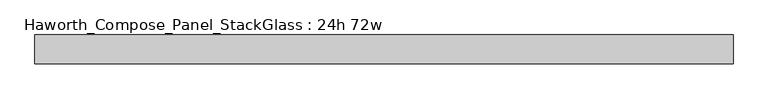
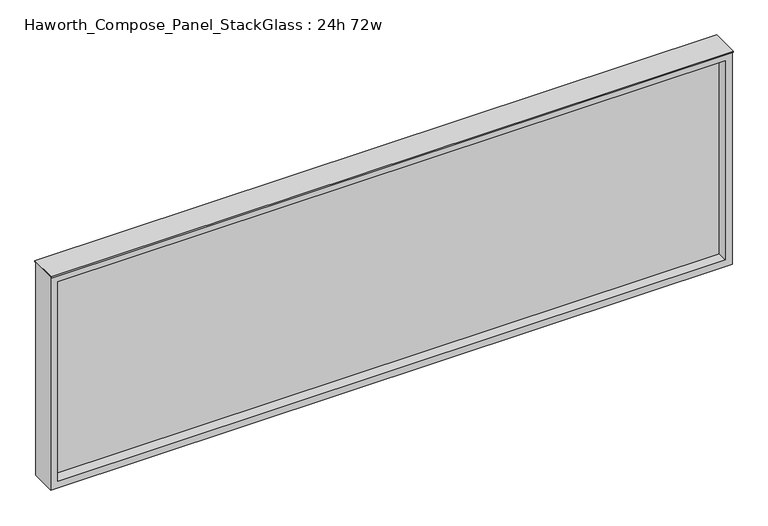
"""IFC4 building model written with IfcOpenShell, lengths in millimetres: furniture geometry, Haworth_Compose_Panel_StackGlass : 24h 72w."""

import ifcopenshell
import ifcopenshell.guid

model = None  # the IFC model being written
_history = None  # IfcOwnerHistory: only IFC2X3 demands one
_inside = {}  # id of a spatial element -> (the spatial element, [elements in it])
_under = {}  # id of a project, library or spatial element -> (it, [spatial elements below it])
_declared = {}  # id of a project -> (the project, [libraries it declares])
_typed = {}  # id of a type object -> (the type object, [elements of that type])
_made_of = {}  # id of a material, layer set ... -> (it, [elements and type objects made of it])


def new_model(schema):
    """Start an empty IFC model of exactly this schema.

    Asked for "IFC4X3", IfcOpenShell would pick the latest addendum, in which some entities
    have other attributes; the version numbers below select the first issue.
    IFC2X3 requires an IfcOwnerHistory on every rooted entity: one is made here for all.
    """
    global model, _history
    if schema == "IFC4X3":
        model = ifcopenshell.file(schema_version=(4, 3, 0, 0))
    else:
        model = ifcopenshell.file(schema=schema)
    _inside.clear()
    _under.clear()
    _declared.clear()
    _typed.clear()
    _made_of.clear()
    _history = None
    if model.schema == "IFC2X3":
        org = make("IfcOrganization", Name="unknown")
        user = make(
            "IfcPersonAndOrganization",
            ThePerson=make("IfcPerson", FamilyName="unknown"),
            TheOrganization=org,
        )
        app = make(
            "IfcApplication",
            ApplicationDeveloper=org,
            Version="unknown",
            ApplicationFullName="unknown",
            ApplicationIdentifier="unknown",
        )
        _history = make(
            "IfcOwnerHistory",
            OwningUser=user,
            OwningApplication=app,
            ChangeAction="ADDED",
            CreationDate=0,
        )
    return model


def make(cls, **values):
    """One entity of the class cls with the attributes given. An attribute that is None is left unset."""
    return model.create_entity(
        cls, **{name: value for name, value in values.items() if value is not None}
    )


def rooted(cls, **values):
    """An entity with a GlobalId (a new one), such as an element, a storey or a relation."""
    return make(cls, GlobalId=ifcopenshell.guid.new(), OwnerHistory=_history, **values)


def si_unit(unit_type, name, prefix=None):
    """IfcSIUnit, for example si_unit("LENGTHUNIT", "METRE", prefix="MILLI")."""
    return make("IfcSIUnit", UnitType=unit_type, Prefix=prefix, Name=name)


def assignment(units):
    """IfcUnitAssignment: the units of a project."""
    return None if units is None else make("IfcUnitAssignment", Units=units)


def point(xyz):
    """IfcCartesianPoint."""
    return None if xyz is None else make("IfcCartesianPoint", Coordinates=xyz)


def direction(xyz):
    """IfcDirection."""
    return None if xyz is None else make("IfcDirection", DirectionRatios=xyz)


def frame(location, z_axis=None, x_axis=None):
    """IfcAxis2Placement3D, a coordinate frame: its origin and axes. An axis left out is left unset."""
    return make(
        "IfcAxis2Placement3D",
        Location=point(location),
        Axis=direction(z_axis),
        RefDirection=direction(x_axis),
    )


def origin():
    """The frame at (0, 0, 0) with its axes left unset."""
    return frame((0.0, 0.0, 0.0))


def place(relative_to, where):
    """IfcLocalPlacement: puts the frame where relative to a parent placement (None: the world)."""
    return make(
        "IfcLocalPlacement", PlacementRelTo=relative_to, RelativePlacement=where
    )


def context(
    kind, dimensions, precision=None, world=None, true_north=None, identifier=None
):
    """IfcGeometricRepresentationContext, for example the 3D "Model" context."""
    return make(
        "IfcGeometricRepresentationContext",
        ContextIdentifier=identifier,
        ContextType=kind,
        CoordinateSpaceDimension=dimensions,
        Precision=precision,
        WorldCoordinateSystem=world,
        TrueNorth=true_north,
    )


def project(units=None, contexts=None):
    """IfcProject with its units and contexts."""
    return rooted(
        "IfcProject",
        Name="project",
        RepresentationContexts=contexts,
        UnitsInContext=assignment(units),
    )


def spatial(cls, under=None, at=None, **own):
    """A site, building, storey or space (cls), placed at a placement, below another one or the project."""
    s = rooted(cls, ObjectPlacement=at, **own)
    if under is not None:
        _under.setdefault(under.id(), (under, []))[1].append(s)
    return s


def polyline(points):
    """IfcPolyline through the points."""
    return make("IfcPolyline", Points=[point(p) for p in points])


def outline(outer, holes=None, kind="AREA"):
    """IfcArbitraryClosedProfileDef: a profile drawn as a closed curve; with holes, ...WithVoids."""
    if holes is None:
        return make("IfcArbitraryClosedProfileDef", ProfileType=kind, OuterCurve=outer)
    return make(
        "IfcArbitraryProfileDefWithVoids",
        ProfileType=kind,
        OuterCurve=outer,
        InnerCurves=holes,
    )


def extrude(swept, where, along, depth):
    """IfcExtrudedAreaSolid: the profile swept, set in the frame where, extruded along a direction by depth."""
    return make(
        "IfcExtrudedAreaSolid",
        SweptArea=swept,
        Position=where,
        ExtrudedDirection=direction(along),
        Depth=depth,
    )


def shape(context_of_items, identifier, shape_type, items):
    """IfcShapeRepresentation: the items that make up one representation, for example the "Body"."""
    return make(
        "IfcShapeRepresentation",
        ContextOfItems=context_of_items,
        RepresentationIdentifier=identifier,
        RepresentationType=shape_type,
        Items=items,
    )


def source(mapping_origin, context_of_items, identifier, shape_type, items):
    """IfcRepresentationMap: a shape defined once, which mapped items show again and again."""
    return make(
        "IfcRepresentationMap",
        MappingOrigin=mapping_origin,
        MappedRepresentation=shape(context_of_items, identifier, shape_type, items),
    )


def transform(
    local_origin,
    x_axis=None,
    y_axis=None,
    z_axis=None,
    scale=None,
    scale2=None,
    scale3=None,
    uniform=True,
):
    """IfcCartesianTransformationOperator3D, or its non-uniform kind. x_axis, y_axis, z_axis: its Axis1, 2, 3."""
    if uniform:
        return make(
            "IfcCartesianTransformationOperator3D",
            Axis1=direction(x_axis),
            Axis2=direction(y_axis),
            LocalOrigin=point(local_origin),
            Scale=scale,
            Axis3=direction(z_axis),
        )
    return make(
        "IfcCartesianTransformationOperator3DnonUniform",
        Axis1=direction(x_axis),
        Axis2=direction(y_axis),
        LocalOrigin=point(local_origin),
        Scale=scale,
        Axis3=direction(z_axis),
        Scale2=scale2,
        Scale3=scale3,
    )


def mapped(mapping_source, mapping_target):
    """IfcMappedItem: shows the shape of a source again, moved by a transform."""
    return make(
        "IfcMappedItem", MappingSource=mapping_source, MappingTarget=mapping_target
    )


def made_of(thing, what):
    """Note that an element or type object is made of a material, layer set ...; save() writes the relation."""
    if what is not None:
        _made_of.setdefault(what.id(), (what, []))[1].append(thing)
    return thing


def element(
    cls,
    number,
    at=None,
    inside=None,
    cuts=None,
    type_object=None,
    material=None,
    context=None,
    identifier="Body",
    shape_type=None,
    held_by="IfcProductDefinitionShape",
    body=None,
    shapes=None,
    **own,
):
    """One element of the class cls, such as IfcWall. Its Tag is "e" and its number.

    at: its placement. inside: the storey or other place that contains it. cuts: it is an
    opening in that element (IfcRelVoidsElement). A single representation is given by context,
    identifier, shape_type and body (its items); several are given by shapes. held_by: the class
    of the entity that holds the representations. save() writes the other relations.
    """
    e = rooted(cls, Tag="e%d" % number, ObjectPlacement=at, **own)
    if body is not None:
        shapes = [shape(context, identifier, shape_type, body)]
    if shapes is not None:
        e.Representation = make(held_by, Representations=shapes)
    if inside is not None:
        _inside.setdefault(inside.id(), (inside, []))[1].append(e)
    if cuts is not None:
        rooted(
            "IfcRelVoidsElement", RelatingBuildingElement=cuts, RelatedOpeningElement=e
        )
    if type_object is not None:
        _typed.setdefault(type_object.id(), (type_object, []))[1].append(e)
    return made_of(e, material)


def aggregate(whole, parts):
    """IfcRelAggregates: a whole, such as a stair, and the parts it consists of."""
    return rooted("IfcRelAggregates", RelatingObject=whole, RelatedObjects=parts)


def save(model, path):
    """Write the relations noted so far, then the file.

    IfcRelAggregates (storeys below a building ...), IfcRelContainedInSpatialStructure (elements
    in a storey), IfcRelDefinesByType, IfcRelAssociatesMaterial and IfcRelDeclares: one each for
    every whole, place, type object, material and project.
    """
    for whole, parts in _under.values():
        aggregate(whole, parts)
    for where, things in _inside.values():
        rooted(
            "IfcRelContainedInSpatialStructure",
            RelatedElements=things,
            RelatingStructure=where,
        )
    for kind, things in _typed.values():
        rooted("IfcRelDefinesByType", RelatedObjects=things, RelatingType=kind)
    for what, things in _made_of.values():
        rooted("IfcRelAssociatesMaterial", RelatedObjects=things, RelatingMaterial=what)
    for by, libraries in _declared.values():
        rooted("IfcRelDeclares", RelatingContext=by, RelatedDefinitions=libraries)
    model.write(path)


def haworth_compose_panel_stackglass_24h_72w_de4c3f3f(model_context):
    return source(origin(), model_context, "Body", "SweptSolid", [
        extrude(outline(polyline([(897.7902902, -6.35), (-892.9097098, -6.35), (-892.9097098, 6.35), (897.7902902, 6.35), (897.7902902, -6.35)])), frame((0.0, 0.0, 1085.85), z_axis=(0.0, 0.0, 1.0), x_axis=(1.0, 0.0, 0.0)), (0.0, 0.0, 1.0), 565.15),
        extrude(outline(polyline([(1670.05, -911.9597098), (1066.8, -911.9597098), (1066.8, 916.8402902), (1670.05, 916.8402902), (1670.05, -911.9597098)]), holes=[polyline([(1651.0, 897.7902902), (1085.85, 897.7902902), (1085.85, -892.9097098), (1651.0, -892.9097098), (1651.0, 897.7902902)])]), frame((0.0, -34.925, 0.0), z_axis=(0.0, 1.0, 0.0), x_axis=(0.0, 0.0, 1.0)), (0.0, 0.0, 1.0), 69.85),
        extrude(outline(polyline([(-911.9597098, -38.1), (-911.9597098, 38.1), (916.8402902, 38.1), (916.8402902, -38.1), (-911.9597098, -38.1)])), frame((0.0, 0.0, 1670.05), z_axis=(0.0, 0.0, 1.0), x_axis=(1.0, 0.0, 0.0)), (0.0, 0.0, 1.0), 3.175),
    ])


if __name__ == "__main__":
    model = new_model("IFC4")
    model_context = context("Model", 3, world=origin())
    ifc_project = project(units=[si_unit("LENGTHUNIT", "METRE", prefix="MILLI")], contexts=[model_context])
    site = spatial("IfcSite", under=ifc_project)
    building = spatial("IfcBuilding", under=site)
    placement = place(None, origin())
    haworth_compose_panel_stackglass_24h_72w_shape = haworth_compose_panel_stackglass_24h_72w_de4c3f3f(model_context)
    element("IfcFurniture", 1, ObjectType="Haworth_Compose_Panel_StackGlass : 24h 72w", at=placement, inside=building, context=model_context, shape_type="MappedRepresentation", body=[
        mapped(haworth_compose_panel_stackglass_24h_72w_shape, transform((0.0, 0.0, 0.0), x_axis=(1.0, 0.0, 0.0), y_axis=(0.0, 1.0, 0.0), z_axis=(0.0, 0.0, 1.0))),
    ])
    save(model, "model.ifc")
